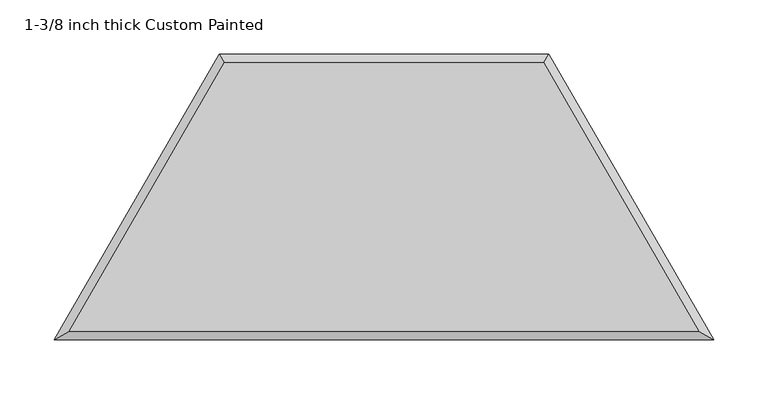
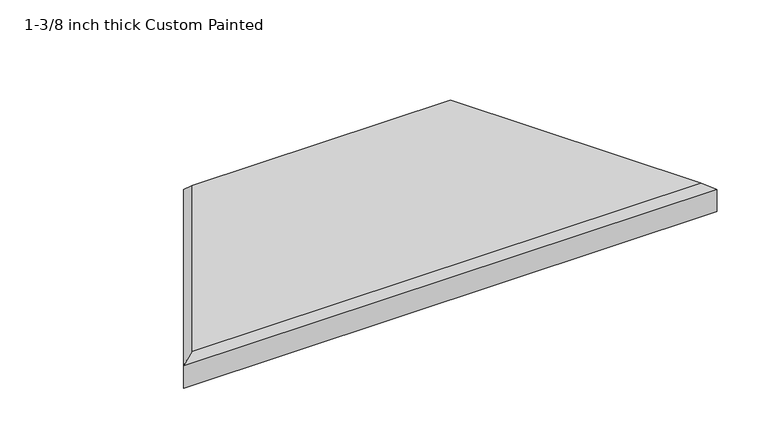
"""IFC4 building model written with IfcOpenShell, lengths in millimetres: proxy geometry, 1-3/8 inch thick Custom Painted."""

import ifcopenshell
import ifcopenshell.guid

model = None  # the IFC model being written
_history = None  # IfcOwnerHistory: only IFC2X3 demands one
_inside = {}  # id of a spatial element -> (the spatial element, [elements in it])
_under = {}  # id of a project, library or spatial element -> (it, [spatial elements below it])
_declared = {}  # id of a project -> (the project, [libraries it declares])
_typed = {}  # id of a type object -> (the type object, [elements of that type])
_made_of = {}  # id of a material, layer set ... -> (it, [elements and type objects made of it])


def new_model(schema):
    """Start an empty IFC model of exactly this schema.

    Asked for "IFC4X3", IfcOpenShell would pick the latest addendum, in which some entities
    have other attributes; the version numbers below select the first issue.
    IFC2X3 requires an IfcOwnerHistory on every rooted entity: one is made here for all.
    """
    global model, _history
    if schema == "IFC4X3":
        model = ifcopenshell.file(schema_version=(4, 3, 0, 0))
    else:
        model = ifcopenshell.file(schema=schema)
    _inside.clear()
    _under.clear()
    _declared.clear()
    _typed.clear()
    _made_of.clear()
    _history = None
    if model.schema == "IFC2X3":
        org = make("IfcOrganization", Name="unknown")
        user = make(
            "IfcPersonAndOrganization",
            ThePerson=make("IfcPerson", FamilyName="unknown"),
            TheOrganization=org,
        )
        app = make(
            "IfcApplication",
            ApplicationDeveloper=org,
            Version="unknown",
            ApplicationFullName="unknown",
            ApplicationIdentifier="unknown",
        )
        _history = make(
            "IfcOwnerHistory",
            OwningUser=user,
            OwningApplication=app,
            ChangeAction="ADDED",
            CreationDate=0,
        )
    return model


def make(cls, **values):
    """One entity of the class cls with the attributes given. An attribute that is None is left unset."""
    return model.create_entity(
        cls, **{name: value for name, value in values.items() if value is not None}
    )


def rooted(cls, **values):
    """An entity with a GlobalId (a new one), such as an element, a storey or a relation."""
    return make(cls, GlobalId=ifcopenshell.guid.new(), OwnerHistory=_history, **values)


def si_unit(unit_type, name, prefix=None):
    """IfcSIUnit, for example si_unit("LENGTHUNIT", "METRE", prefix="MILLI")."""
    return make("IfcSIUnit", UnitType=unit_type, Prefix=prefix, Name=name)


def assignment(units):
    """IfcUnitAssignment: the units of a project."""
    return None if units is None else make("IfcUnitAssignment", Units=units)


def point(xyz):
    """IfcCartesianPoint."""
    return None if xyz is None else make("IfcCartesianPoint", Coordinates=xyz)


def direction(xyz):
    """IfcDirection."""
    return None if xyz is None else make("IfcDirection", DirectionRatios=xyz)


def frame(location, z_axis=None, x_axis=None):
    """IfcAxis2Placement3D, a coordinate frame: its origin and axes. An axis left out is left unset."""
    return make(
        "IfcAxis2Placement3D",
        Location=point(location),
        Axis=direction(z_axis),
        RefDirection=direction(x_axis),
    )


def origin():
    """The frame at (0, 0, 0) with its axes left unset."""
    return frame((0.0, 0.0, 0.0))


def place(relative_to, where):
    """IfcLocalPlacement: puts the frame where relative to a parent placement (None: the world)."""
    return make(
        "IfcLocalPlacement", PlacementRelTo=relative_to, RelativePlacement=where
    )


def context(
    kind, dimensions, precision=None, world=None, true_north=None, identifier=None
):
    """IfcGeometricRepresentationContext, for example the 3D "Model" context."""
    return make(
        "IfcGeometricRepresentationContext",
        ContextIdentifier=identifier,
        ContextType=kind,
        CoordinateSpaceDimension=dimensions,
        Precision=precision,
        WorldCoordinateSystem=world,
        TrueNorth=true_north,
    )


def project(units=None, contexts=None):
    """IfcProject with its units and contexts."""
    return rooted(
        "IfcProject",
        Name="project",
        RepresentationContexts=contexts,
        UnitsInContext=assignment(units),
    )


def spatial(cls, under=None, at=None, **own):
    """A site, building, storey or space (cls), placed at a placement, below another one or the project."""
    s = rooted(cls, ObjectPlacement=at, **own)
    if under is not None:
        _under.setdefault(under.id(), (under, []))[1].append(s)
    return s


def faces_of(points, faces, orient=None, outer=None):
    """IfcFace entities. A face is a list of loops; a loop is a list of indices into points, from 0.

    orient and outer hold one flag for each loop. By default every Orientation is true, the
    first loop of a face is its IfcFaceOuterBound and the others are IfcFaceBound.
    """
    made = []
    for i, loops in enumerate(faces):
        bounds = []
        for j, loop in enumerate(loops):
            is_outer = j == 0 if outer is None else outer[i][j]
            bounds.append(
                make(
                    "IfcFaceOuterBound" if is_outer else "IfcFaceBound",
                    Bound=make("IfcPolyLoop", Polygon=[points[k] for k in loop]),
                    Orientation=True if orient is None else orient[i][j],
                )
            )
        made.append(make("IfcFace", Bounds=bounds))
    return made


def faceted_brep(points, faces, orient=None, outer=None, voids=None):
    """IfcFacetedBrep: a solid bounded by flat faces; with voids (closed shells), ...WithVoids."""
    shared = [point(p) for p in points]
    hull = make("IfcClosedShell", CfsFaces=faces_of(shared, faces, orient, outer))
    if voids is None:
        return make("IfcFacetedBrep", Outer=hull)
    return make(
        "IfcFacetedBrepWithVoids",
        Outer=hull,
        Voids=[
            make(cls, CfsFaces=faces_of(shared, fs, o, b)) for cls, fs, o, b in voids
        ],
    )


def shape(context_of_items, identifier, shape_type, items):
    """IfcShapeRepresentation: the items that make up one representation, for example the "Body"."""
    return make(
        "IfcShapeRepresentation",
        ContextOfItems=context_of_items,
        RepresentationIdentifier=identifier,
        RepresentationType=shape_type,
        Items=items,
    )


def source(mapping_origin, context_of_items, identifier, shape_type, items):
    """IfcRepresentationMap: a shape defined once, which mapped items show again and again."""
    return make(
        "IfcRepresentationMap",
        MappingOrigin=mapping_origin,
        MappedRepresentation=shape(context_of_items, identifier, shape_type, items),
    )


def transform(
    local_origin,
    x_axis=None,
    y_axis=None,
    z_axis=None,
    scale=None,
    scale2=None,
    scale3=None,
    uniform=True,
):
    """IfcCartesianTransformationOperator3D, or its non-uniform kind. x_axis, y_axis, z_axis: its Axis1, 2, 3."""
    if uniform:
        return make(
            "IfcCartesianTransformationOperator3D",
            Axis1=direction(x_axis),
            Axis2=direction(y_axis),
            LocalOrigin=point(local_origin),
            Scale=scale,
            Axis3=direction(z_axis),
        )
    return make(
        "IfcCartesianTransformationOperator3DnonUniform",
        Axis1=direction(x_axis),
        Axis2=direction(y_axis),
        LocalOrigin=point(local_origin),
        Scale=scale,
        Axis3=direction(z_axis),
        Scale2=scale2,
        Scale3=scale3,
    )


def mapped(mapping_source, mapping_target):
    """IfcMappedItem: shows the shape of a source again, moved by a transform."""
    return make(
        "IfcMappedItem", MappingSource=mapping_source, MappingTarget=mapping_target
    )


def made_of(thing, what):
    """Note that an element or type object is made of a material, layer set ...; save() writes the relation."""
    if what is not None:
        _made_of.setdefault(what.id(), (what, []))[1].append(thing)
    return thing


def element(
    cls,
    number,
    at=None,
    inside=None,
    cuts=None,
    type_object=None,
    material=None,
    context=None,
    identifier="Body",
    shape_type=None,
    held_by="IfcProductDefinitionShape",
    body=None,
    shapes=None,
    **own,
):
    """One element of the class cls, such as IfcWall. Its Tag is "e" and its number.

    at: its placement. inside: the storey or other place that contains it. cuts: it is an
    opening in that element (IfcRelVoidsElement). A single representation is given by context,
    identifier, shape_type and body (its items); several are given by shapes. held_by: the class
    of the entity that holds the representations. save() writes the other relations.
    """
    e = rooted(cls, Tag="e%d" % number, ObjectPlacement=at, **own)
    if body is not None:
        shapes = [shape(context, identifier, shape_type, body)]
    if shapes is not None:
        e.Representation = make(held_by, Representations=shapes)
    if inside is not None:
        _inside.setdefault(inside.id(), (inside, []))[1].append(e)
    if cuts is not None:
        rooted(
            "IfcRelVoidsElement", RelatingBuildingElement=cuts, RelatedOpeningElement=e
        )
    if type_object is not None:
        _typed.setdefault(type_object.id(), (type_object, []))[1].append(e)
    return made_of(e, material)


def aggregate(whole, parts):
    """IfcRelAggregates: a whole, such as a stair, and the parts it consists of."""
    return rooted("IfcRelAggregates", RelatingObject=whole, RelatedObjects=parts)


def save(model, path):
    """Write the relations noted so far, then the file.

    IfcRelAggregates (storeys below a building ...), IfcRelContainedInSpatialStructure (elements
    in a storey), IfcRelDefinesByType, IfcRelAssociatesMaterial and IfcRelDeclares: one each for
    every whole, place, type object, material and project.
    """
    for whole, parts in _under.values():
        aggregate(whole, parts)
    for where, things in _inside.values():
        rooted(
            "IfcRelContainedInSpatialStructure",
            RelatedElements=things,
            RelatingStructure=where,
        )
    for kind, things in _typed.values():
        rooted("IfcRelDefinesByType", RelatedObjects=things, RelatingType=kind)
    for what, things in _made_of.values():
        rooted("IfcRelAssociatesMaterial", RelatedObjects=things, RelatingMaterial=what)
    for by, libraries in _declared.values():
        rooted("IfcRelDeclares", RelatingContext=by, RelatedDefinitions=libraries)
    model.write(path)


def proxy_1_3_8_inch_thick_custom_painted_a28964e6(model_context):
    return source(origin(), model_context, "Body", "Brep", [
        faceted_brep([(-147.7806205, 255.9635431, 34.925), (-290.9418615, 8.001, 34.925), (290.9418615, 8.001, 34.925), (147.7806205, 255.9635431, 34.925), (152.4, 263.9645431, 0.0), (304.8, 0.0, 0.0), (-304.8, 0.0, 0.0), (-152.4, 263.9645431, 0.0), (-152.4, 263.9645431, 26.924), (152.4, 263.9645431, 26.924), (-304.8, 0.0, 26.924), (304.8, 0.0, 26.924)], [[[0, 1, 2, 3]], [[4, 5, 6, 7]], [[4, 7, 8, 9]], [[7, 6, 10, 8]], [[5, 4, 9, 11]], [[10, 1, 0, 8]], [[9, 3, 2, 11]], [[8, 0, 3, 9]], [[6, 5, 11, 10]], [[1, 10, 11, 2]]]),
    ])


if __name__ == "__main__":
    model = new_model("IFC4")
    model_context = context("Model", 3, world=origin())
    ifc_project = project(units=[si_unit("LENGTHUNIT", "METRE", prefix="MILLI")], contexts=[model_context])
    site = spatial("IfcSite", under=ifc_project)
    building = spatial("IfcBuilding", under=site)
    placement = place(None, origin())
    proxy_1_3_8_inch_thick_custom_painted_shape = proxy_1_3_8_inch_thick_custom_painted_a28964e6(model_context)
    element("IfcBuildingElementProxy", 1, Name="1-3/8 inch thick Custom Painted", ObjectType="1-3/8 inch thick Custom Painted", at=placement, inside=building, context=model_context, shape_type="MappedRepresentation", body=[
        mapped(proxy_1_3_8_inch_thick_custom_painted_shape, transform((0.0, 0.0, 0.0), x_axis=(1.0, 0.0, 0.0), y_axis=(0.0, 1.0, 0.0), z_axis=(0.0, 0.0, 1.0))),
    ])
    save(model, "model.ifc")
